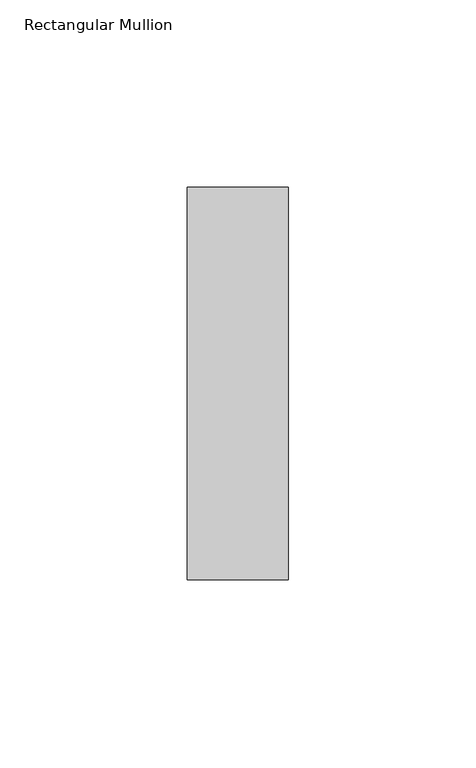
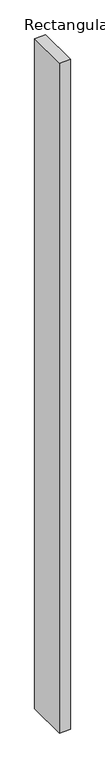
"""IFC4 building model written with IfcOpenShell, lengths in millimetres: member geometry, Rectangular Mullion."""

from ifc_helpers import new_model, si_unit, frame, origin, place, context, project, spatial, polyline, outline, extrude, source, transform, mapped, element, save


def rectangular_mullion_5e91ce41(model_context):
    return source(origin(), model_context, "Body", "SweptSolid", [
        extrude(outline(polyline([(0.0, 52.3975), (0.0, -52.3975), (-27.0, -52.3975), (-27.0, 52.3975), (0.0, 52.3975)])), frame((0.0, 0.0, -1739.6666667), z_axis=(0.0, 0.0, 1.0), x_axis=(1.0, 0.0, 0.0)), (0.0, 0.0, 1.0), 1739.6666667),
    ])


if __name__ == "__main__":
    model = new_model("IFC4")
    model_context = context("Model", 3, world=origin())
    ifc_project = project(units=[si_unit("LENGTHUNIT", "METRE", prefix="MILLI")], contexts=[model_context])
    site = spatial("IfcSite", under=ifc_project)
    building = spatial("IfcBuilding", under=site)
    placement = place(None, origin())
    rectangular_mullion_shape = rectangular_mullion_5e91ce41(model_context)
    element("IfcMember", 1, ObjectType="Rectangular Mullion", at=placement, inside=building, context=model_context, shape_type="MappedRepresentation", body=[
        mapped(rectangular_mullion_shape, transform((0.0, 0.0, 0.0), x_axis=(1.0, 0.0, 0.0), y_axis=(0.0, 1.0, 0.0), z_axis=(0.0, 0.0, 1.0))),
    ])
    save(model, "model.ifc")
